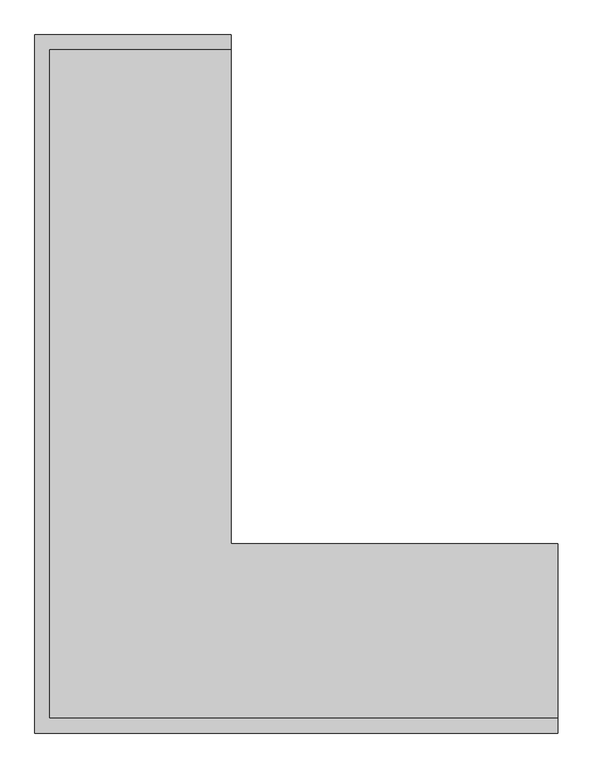
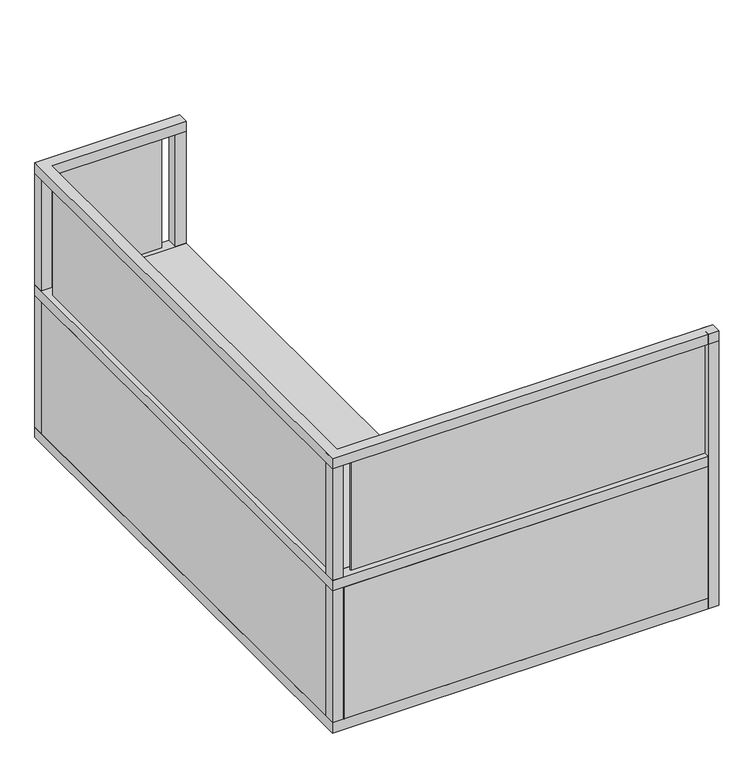
"""IFC4 building model written with IfcOpenShell, lengths in millimetres: furniture geometry."""

from ifc_helpers import new_model, si_unit, frame, origin, origin_with_axes, place, context, project, spatial, polyline, outline, extrude, source, transform, mapped, element, save


def furniture_1619f7d8(model_context):
    return source(origin(), model_context, "Body", "SweptSolid", [
        extrude(outline(polyline([(-1247.775, 2413.7057755), (-1247.775, 2407.3557755), (-1727.2, 2407.3557755), (-1727.2, 2413.7057755), (-1247.775, 2413.7057755)])), frame((0.0, 0.0, 762.0), z_axis=(0.0, 0.0, 1.0), x_axis=(1.0, 0.0, 0.0)), (0.0, 0.0, 1.0), 558.8),
        extrude(outline(polyline([(-1803.4, 2337.5057755), (-1797.05, 2337.5057755), (-1797.05, 101.6), (-1803.4, 101.6), (-1803.4, 2337.5057755)])), frame((0.0, 0.0, 762.0), z_axis=(0.0, 0.0, 1.0), x_axis=(1.0, 0.0, 0.0)), (0.0, 0.0, 1.0), 558.8),
        extrude(outline(polyline([(-1727.2, 25.4), (-1727.2, 31.75), (-50.8, 31.75), (-50.8, 25.4), (-1727.2, 25.4)])), frame((0.0, 0.0, 762.0), z_axis=(0.0, 0.0, 1.0), x_axis=(1.0, 0.0, 0.0)), (0.0, 0.0, 1.0), 558.8),
        extrude(outline(polyline([(-50.8, 50.8), (-50.8, 0.0), (-1828.8, 0.0), (-1828.8, 2438.4), (-1143.0, 2438.4), (-1143.0, 2387.6), (-1778.0, 2387.6), (-1778.0, 50.8), (-50.8, 50.8)])), frame((0.0, 0.0, 711.2), z_axis=(0.0, 0.0, 1.0), x_axis=(1.0, 0.0, 0.0)), (0.0, 0.0, 1.0), 50.8),
        extrude(outline(polyline([(0.0, 50.8), (0.0, 0.0), (-1828.8, 0.0), (-1828.8, 2438.4), (-1143.0, 2438.4), (-1143.0, 2387.6), (-1778.0, 2387.6), (-1778.0, 50.8), (0.0, 50.8)])), frame((0.0, 0.0, 1320.8), z_axis=(0.0, 0.0, 1.0), x_axis=(1.0, 0.0, 0.0)), (0.0, 0.0, 1.0), 50.8),
        extrude(outline(polyline([(0.0, 50.8), (0.0, 0.0), (-50.8, 0.0), (-50.8, 50.8), (0.0, 50.8)])), origin_with_axes(), (0.0, 0.0, 1.0), 1371.6),
        extrude(outline(polyline([(-50.8, 50.8), (-50.8, 0.0), (-1828.8, 0.0), (-1828.8, 2438.4), (-1143.0, 2438.4), (-1143.0, 2387.6), (-1778.0, 2387.6), (-1778.0, 50.8), (-50.8, 50.8)])), origin_with_axes(), (0.0, 0.0, 1.0), 50.8),
        extrude(outline(polyline([(-1778.0, 50.8), (-1778.0, 0.0), (-1828.8, 0.0), (-1828.8, 50.8), (-1778.0, 50.8)])), origin_with_axes(), (0.0, 0.0, 1.0), 1371.6),
        extrude(outline(polyline([(-1778.0, 2438.4), (-1778.0, 2387.6), (-1828.8, 2387.6), (-1828.8, 2438.4), (-1778.0, 2438.4)])), origin_with_axes(), (0.0, 0.0, 1.0), 1371.6),
        extrude(outline(polyline([(-1143.0, 2438.4), (-1143.0, 2387.6), (-1193.8, 2387.6), (-1193.8, 2438.4), (-1143.0, 2438.4)])), origin_with_axes(), (0.0, 0.0, 1.0), 1371.6),
        extrude(outline(polyline([(-1143.0, 2387.6), (-1143.0, 660.4), (0.0, 660.4), (0.0, 50.8), (-1778.0, 50.8), (-1778.0, 2387.6), (-1143.0, 2387.6)])), frame((0.0, 0.0, 711.2), z_axis=(0.0, 0.0, 1.0), x_axis=(1.0, 0.0, 0.0)), (0.0, 0.0, 1.0), 50.8),
        extrude(outline(polyline([(-1193.8, 2438.4), (-1193.8, 2387.6), (-1774.825, 2387.6), (-1774.825, 2438.4), (-1193.8, 2438.4)])), frame((0.0, 0.0, 50.8), z_axis=(0.0, 0.0, 1.0), x_axis=(1.0, 0.0, 0.0)), (0.0, 0.0, 1.0), 660.4),
        extrude(outline(polyline([(-1828.8, 2383.9535937), (-1778.0, 2383.9535937), (-1778.0, 53.975), (-1828.8, 53.975), (-1828.8, 2383.9535937)])), frame((0.0, 0.0, 50.8), z_axis=(0.0, 0.0, 1.0), x_axis=(1.0, 0.0, 0.0)), (0.0, 0.0, 1.0), 660.4),
        extrude(outline(polyline([(-1774.825, 0.0), (-1774.825, 50.8), (-50.8, 50.8), (-50.8, 0.0), (-1774.825, 0.0)])), frame((0.0, 0.0, 50.8), z_axis=(0.0, 0.0, 1.0), x_axis=(1.0, 0.0, 0.0)), (0.0, 0.0, 1.0), 660.4),
    ])


if __name__ == "__main__":
    model = new_model("IFC4")
    model_context = context("Model", 3, world=origin())
    ifc_project = project(units=[si_unit("LENGTHUNIT", "METRE", prefix="MILLI")], contexts=[model_context])
    site = spatial("IfcSite", under=ifc_project)
    building = spatial("IfcBuilding", under=site)
    placement = place(None, origin())
    furniture_shape = furniture_1619f7d8(model_context)
    element("IfcFurniture", 1, at=placement, inside=building, context=model_context, shape_type="MappedRepresentation", body=[
        mapped(furniture_shape, transform((0.0, 0.0, 0.0), x_axis=(1.0, 0.0, 0.0), y_axis=(0.0, 1.0, 0.0), z_axis=(0.0, 0.0, 1.0))),
    ])
    save(model, "model.ifc")
